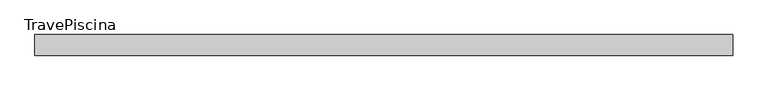
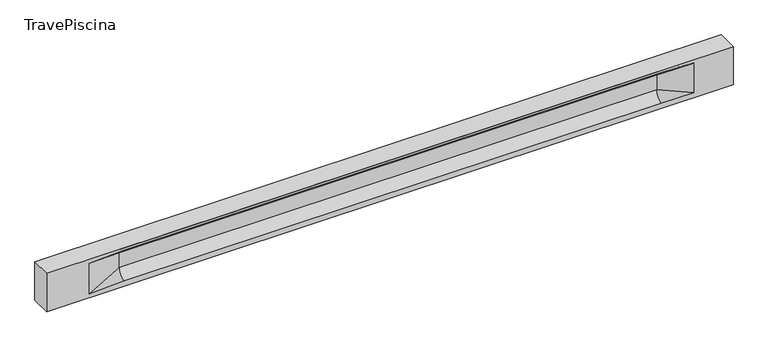
"""IFC4 building model written with IfcOpenShell, lengths in millimetres: beam geometry, TravePiscina."""

from ifc_helpers import new_model, si_unit, frame, origin, place, context, project, spatial, polyline, circle_curve, source, transform, mapped, element, save
from ifc_brep_helpers import plane_surface, revolved_surface, spline_surface, advanced_brep


def travepiscina_67acfad4(model_context):
    return source(origin(), model_context, "Body", "AdvancedBrep", [
        advanced_brep(
        [(8467.0, -250.0, 500.0), (8467.0, -250.0, -500.0), (8467.0, 250.0, -500.0), (8467.0, 250.0, 500.0), (-8467.0, -250.0, 500.0), (-8467.0, -250.0, -500.0), (7492.0, -250.0, -362.0), (6692.0, -250.0, -360.0), (-6567.0, -250.0, -360.0), (-7417.0, -250.0, -400.0), (-7417.0, -250.0, 400.0), (-6567.0, -250.0, 435.0), (6692.0, -250.0, 435.0), (7492.0, -250.0, 400.0), (-8467.0, 250.0, -500.0), (-8467.0, 250.0, 500.0), (7492.0, 250.0, 400.0), (6692.0, 250.0, 435.0), (-6567.0, 250.0, 435.0), (-7417.0, 250.0, 400.0), (-7417.0, 250.0, -400.0), (-6567.0, 250.0, -360.0), (6692.0, 250.0, -360.0), (7492.0, 250.0, -362.0), (6692.0, 155.0, 405.0), (-6567.0, 155.0, 405.0), (-6567.0, -60.0, 262.777021), (6692.0, -60.0, 262.777021), (6692.0, -155.0, 405.0), (-6567.0, -155.0, 405.0), (-6567.0, 60.0, 262.777021), (6692.0, 60.0, 262.777021), (6692.0, 60.0, -120.0), (-6567.0, 60.0, -120.0), (-6567.0, -60.0, -120.0), (6692.0, -60.0, -120.0)],
        [
            (0, 1),
            (1, 2),
            (2, 3),
            (3, 0),
            (0, 4),
            (4, 5),
            (5, 1),
            (6, 7),
            (7, 8),
            (8, 9),
            (9, 10),
            (10, 11),
            (11, 12),
            (12, 13),
            (13, 6),
            (5, 14),
            (14, 2),
            (14, 15),
            (15, 3),
            (16, 17),
            (17, 18),
            (18, 19),
            (19, 20),
            (20, 21),
            (21, 22),
            (22, 23),
            (23, 16),
            (15, 4),
            (17, 24),
            (24, 25),
            (25, 18),
            (26, 27),
            (27, 28, circle_curve(frame((6692.0, -213.9598725, 262.777021), z_axis=(1.0, 0.0, 0.0), x_axis=(0.0, 1.0, 0.0)), 153.9598725)),
            (28, 29),
            (29, 26, circle_curve(frame((-6567.0, -213.9598725, 262.777021), z_axis=(-1.0, 0.0, 0.0), x_axis=(0.0, 1.0, 0.0)), 153.9598725)),
            (30, 31),
            (31, 32),
            (32, 33),
            (33, 30),
            (28, 12),
            (11, 29),
            (34, 35),
            (35, 27),
            (26, 34),
            (25, 19),
            (22, 32, circle_curve(frame((6692.0, 306.5789474, -120.0), z_axis=(-1.0, 0.0, 0.0), x_axis=(0.0, 1.0, 0.0)), 246.5789474)),
            (32, 23),
            (10, 29),
            (10, 26),
            (13, 28),
            (27, 13),
            (30, 19),
            (25, 30, circle_curve(frame((-6567.0, 213.9598725, 262.777021), z_axis=(1.0, 0.0, 0.0), x_axis=(0.0, 1.0, 0.0)), 153.9598725)),
            (9, 34),
            (8, 34, circle_curve(frame((-6567.0, -306.5789474, -120.0), z_axis=(1.0, 0.0, 0.0), x_axis=(0.0, 1.0, 0.0)), 246.5789474)),
            (20, 33),
            (33, 21, circle_curve(frame((-6567.0, 306.5789474, -120.0), z_axis=(1.0, 0.0, 0.0), x_axis=(0.0, 1.0, 0.0)), 246.5789474)),
            (35, 6),
            (35, 7, circle_curve(frame((6692.0, -306.5789474, -120.0), z_axis=(-1.0, 0.0, 0.0), x_axis=(0.0, 1.0, 0.0)), 246.5789474)),
            (31, 16),
            (31, 24, circle_curve(frame((6692.0, 213.9598725, 262.777021), z_axis=(-1.0, 0.0, 0.0), x_axis=(0.0, 1.0, 0.0)), 153.9598725)),
            (24, 16),
        ],
        [
            plane_surface(frame((8467.0, 0.0, 0.0), z_axis=(1.0, 0.0, 0.0), x_axis=(0.0, 0.0, 1.0))),
            plane_surface(frame((8467.0, -250.0, 500.0), z_axis=(0.0, -1.0, 0.0), x_axis=(-1.0, 0.0, 0.0))),
            plane_surface(frame((8467.0, -250.0, -500.0), z_axis=(0.0, 0.0, -1.0), x_axis=(-1.0, 0.0, 0.0))),
            plane_surface(frame((8467.0, 250.0, -500.0), z_axis=(0.0, 1.0, 0.0), x_axis=(-1.0, 0.0, 0.0))),
            plane_surface(frame((8467.0, 250.0, 500.0), z_axis=(0.0, 0.0, 1.0), x_axis=(-1.0, 0.0, 0.0))),
            plane_surface(frame((-6567.0, 250.0, 435.0), z_axis=(0.0, 0.30113136793710954, -0.9535826651341378), x_axis=(1.0, 0.0, 0.0))),
            plane_surface(frame((-8467.0, 0.0, 0.0), z_axis=(-1.0, 0.0, 0.0), x_axis=(0.0, 0.0, 1.0))),
            revolved_surface(polyline([(6692.0, -60.0, 262.777021), (-6567.0, -60.0, 262.777021)]), (-6567.0, -213.9598725, 262.777021), (1.0, 0.0, 0.0)),
            plane_surface(frame((-6567.0, 60.0, 262.777021), z_axis=(0.0, 1.0, 0.0), x_axis=(1.0, 0.0, 0.0))),
            plane_surface(frame((-6567.0, -155.0, 405.0), z_axis=(0.0, -0.30113136793710693, -0.9535826651341387), x_axis=(1.0, 0.0, 0.0))),
            plane_surface(frame((-6567.0, -60.0, -120.0), z_axis=(0.0, -1.0, 0.0), x_axis=(1.0, 0.0, 0.0))),
            plane_surface(frame((-7417.0, 250.0, 400.0), z_axis=(0.03923493491469444, 0.30089950084952793, -0.9528484193567961), x_axis=(0.0, 0.9535826651341378, 0.30113136793710954))),
            spline_surface(2, 1, [[(6692.0, 250.0, -360.0), (7492.0, 250.0, -362.0)], [(6692.0, 60.00000002887427, -315.20833329480604), (7492.0, 250.0, -362.0)], [(6692.0, 60.0, -120.0), (7492.0, 250.0, -362.0)]], [3, 3], [2, 2], [0.0, 1.0], [0.0, 1.0], weights=[[1.0, 1.0], [0.7840458245391329, 0.7840458245391329], [1.0, 1.0]]),
            plane_surface(frame((-7417.0, -250.0, 400.0), z_axis=(0.03923493491469448, -0.3008995008495253, -0.952848419356797), x_axis=(0.0, 0.9535826651341387, -0.30113136793710693))),
            spline_surface(2, 1, [[(-7417.0, -250.0, 400.0), (-6567.0, -155.0, 405.0)], [(-7417.0, -250.0, 400.0), (-6567.0, -60.00000008030692, 365.6168572114734)], [(-7417.0, -250.0, 400.0), (-6567.0, -60.0, 262.777021)]], [3, 3], [2, 2], [0.0, 1.0], [0.0, 1.0], weights=[[1.0, 1.0], [0.8315515924557569, 0.8315515924557569], [1.0, 1.0]]),
            spline_surface(2, 1, [[(6692.0, -155.0, 405.0), (7492.0, -250.0, 400.0)], [(6692.0, -60.00000008030692, 365.6168572114734), (7492.0, -250.0, 400.0)], [(6692.0, -60.0, 262.777021), (7492.0, -250.0, 400.0)]], [3, 3], [2, 2], [0.0, 1.0], [0.0, 1.0], weights=[[1.0, 1.0], [0.8315515924557569, 0.8315515924557569], [1.0, 1.0]]),
            plane_surface(frame((6692.0, -202.5, 420.0), z_axis=(-0.04168298285568746, -0.30086965068766125, -0.9527538938442274), x_axis=(0.0, 0.9535826651341387, -0.30113136793710693))),
            spline_surface(2, 1, [[(-7417.0, 250.0, 400.0), (-6567.0, 60.0, 262.777021)], [(-7417.0, 250.0, 400.0), (-6567.0, 59.99999995452379, 365.6168572954922)], [(-7417.0, 250.0, 400.0), (-6567.0, 155.0, 405.0)]], [3, 3], [2, 2], [0.0, 1.0], [0.0, 1.0], weights=[[1.0, 1.0], [0.8315515921160737, 0.8315515921160737], [1.0, 1.0]]),
            plane_surface(frame((-7417.0, -250.0, 0.0), z_axis=(0.21814596370705283, -0.975916153426267, 0.0), x_axis=(0.0, 0.0, -1.0))),
            spline_surface(2, 1, [[(-7417.0, -250.0, -400.0), (-6567.0, -60.0, -120.0)], [(-7417.0, -250.0, -400.0), (-6567.0, -59.99999998020837, -315.20833333333337)], [(-7417.0, -250.0, -400.0), (-6567.0, -250.0, -360.0)]], [3, 3], [2, 2], [0.0, 1.0], [0.0, 1.0], weights=[[1.0, 1.0], [0.7840458244617614, 0.7840458244617614], [1.0, 1.0]]),
            spline_surface(2, 1, [[(-7417.0, 250.0, -400.0), (-6567.0, 250.0, -360.0)], [(-7417.0, 250.0, -400.0), (-6567.0, 60.00000002887427, -315.20833329480604)], [(-7417.0, 250.0, -400.0), (-6567.0, 60.0, -120.0)]], [3, 3], [2, 2], [0.0, 1.0], [0.0, 1.0], weights=[[1.0, 1.0], [0.7840458245391329, 0.7840458245391329], [1.0, 1.0]]),
            plane_surface(frame((-7417.0, 250.0, 0.0), z_axis=(0.21814596370704872, 0.975916153426268, 0.0), x_axis=(0.0, 0.0, 1.0))),
            plane_surface(frame((6692.0, -60.0, 71.3885105), z_axis=(-0.23107243079589737, -0.9729365507195602, 0.0), x_axis=(0.0, 0.0, -1.0))),
            spline_surface(2, 1, [[(6692.0, -60.0, -120.0), (7492.0, -250.0, -362.0)], [(6692.0, -59.99999998020837, -315.20833333333337), (7492.0, -250.0, -362.0)], [(6692.0, -250.0, -360.0), (7492.0, -250.0, -362.0)]], [3, 3], [2, 2], [0.0, 1.0], [0.0, 1.0], weights=[[1.0, 1.0], [0.7840458244617614, 0.7840458244617614], [1.0, 1.0]]),
            plane_surface(frame((6692.0, 60.0, 71.3885105), z_axis=(-0.23107243079589093, 0.9729365507195618, 0.0), x_axis=(0.0, 0.0, 1.0))),
            spline_surface(2, 1, [[(6692.0, 60.0, 262.777021), (7492.0, 250.0, 400.0)], [(6692.0, 59.99999995452379, 365.6168572954922), (7492.0, 250.0, 400.0)], [(6692.0, 155.0, 405.0), (7492.0, 250.0, 400.0)]], [3, 3], [2, 2], [0.0, 1.0], [0.0, 1.0], weights=[[1.0, 1.0], [0.8315515921160737, 0.8315515921160737], [1.0, 1.0]]),
            plane_surface(frame((6692.0, 202.5, 420.0), z_axis=(-0.04168298285568672, 0.30086965068766386, -0.9527538938442265), x_axis=(0.0, 0.9535826651341378, 0.30113136793710954))),
            revolved_surface(polyline([(6692.0, 367.919745, 262.777021), (-6567.0, 367.919745, 262.777021)]), (-6567.0, 213.9598725, 262.777021), (1.0, 0.0, 0.0)),
            revolved_surface(polyline([(6692.0, 553.1578948, -120.0), (-6567.0, 553.1578948, -120.0)]), (-6567.0, 306.5789474, -120.0), (1.0, 0.0, 0.0)),
            revolved_surface(polyline([(6692.0, -60.0, -120.0), (-6567.0, -60.0, -120.0)]), (-6567.0, -306.5789474, -120.0), (1.0, 0.0, 0.0)),
        ],
        [
            (0, [[1, 2, 3, 4]]),
            (1, [[-1, 5, 6, 7], [8, 9, 10, 11, 12, 13, 14, 15]]),
            (2, [[-2, -7, 16, 17]]),
            (3, [[-3, -17, 18, 19], [20, 21, 22, 23, 24, 25, 26, 27]]),
            (4, [[-5, -4, -19, 28]]),
            (5, [[-21, 29, 30, 31]]),
            (6, [[-28, -18, -16, -6]]),
            (7, [[32, 33, 34, 35]]),
            (8, [[36, 37, 38, 39]]),
            (9, [[-34, 40, -13, 41]]),
            (10, [[42, 43, -32, 44]]),
            (11, [[45, -22, -31]]),
            (12, [[-26, 46, 47]]),
            (13, [[-12, 48, -41]]),
            (14, [[-48, 49, -35]]),
            (15, [[50, -33, 51]]),
            (16, [[-14, -40, -50]]),
            (17, [[52, -45, 53]]),
            (18, [[-49, -11, 54, -44]]),
            (19, [[-54, -10, 55]]),
            (20, [[-24, 56, 57]]),
            (21, [[-52, -39, -56, -23]]),
            (22, [[-51, -43, 58, -15]]),
            (23, [[-58, 59, -8]]),
            (24, [[-47, -37, 60, -27]]),
            (25, [[-60, 61, 62]]),
            (26, [[-62, -29, -20]]),
            (27, [[-30, -61, -36, -53]]),
            (28, [[-38, -46, -25, -57]]),
            (29, [[-9, -59, -42, -55]]),
        ],
    ),
    ])


if __name__ == "__main__":
    model = new_model("IFC4")
    model_context = context("Model", 3, world=origin())
    ifc_project = project(units=[si_unit("LENGTHUNIT", "METRE", prefix="MILLI")], contexts=[model_context])
    site = spatial("IfcSite", under=ifc_project)
    building = spatial("IfcBuilding", under=site)
    placement = place(None, origin())
    travepiscina_shape = travepiscina_67acfad4(model_context)
    element("IfcBeam", 1, ObjectType="TravePiscina", at=placement, inside=building, context=model_context, shape_type="MappedRepresentation", body=[
        mapped(travepiscina_shape, transform((0.0, 0.0, 0.0), x_axis=(1.0, 0.0, 0.0), y_axis=(0.0, 1.0, 0.0), z_axis=(0.0, 0.0, 1.0))),
    ])
    save(model, "model.ifc")
